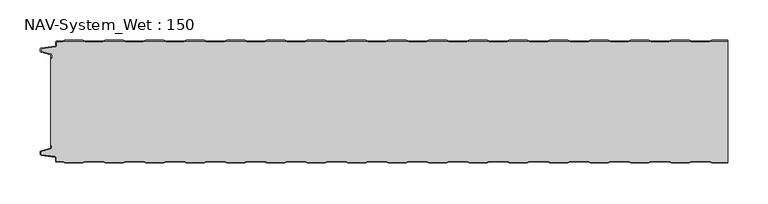
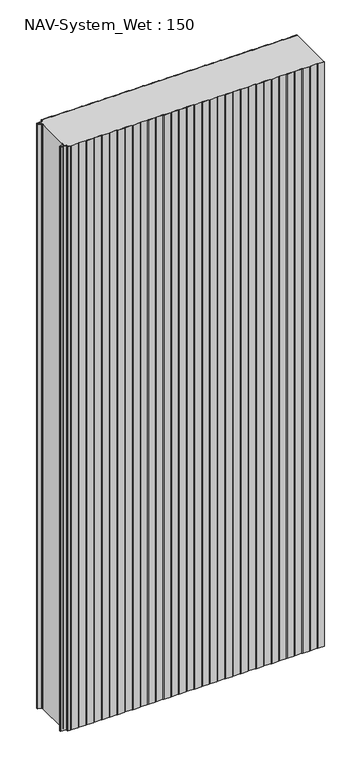
"""IFC4 building model written with IfcOpenShell, lengths in millimetres: plate geometry, NAV-System_Wet : 150."""

from ifc_helpers import new_model, si_unit, point, frame_2d, origin, origin_with_axes, place, context, project, spatial, polyline, circle_curve, trimmed, segment, composite_curve, outline, extrude, source, transform, mapped, element, save


def nav_system_wet_150_986e8c7c(model_context):
    return source(origin(), model_context, "Body", "SweptSolid", [
        extrude(outline(composite_curve([segment(polyline([(405.3684327, 0.2), (402.3684327, -0.8), (380.3684327, -0.8), (377.3684327, 0.2), (355.3684327, 0.2), (352.3684327, -0.8), (330.3684327, -0.8), (327.3684327, 0.2), (305.3684327, 0.2), (302.3684327, -0.8), (280.3684327, -0.8), (277.3684327, 0.2), (255.3684327, 0.2), (252.3684327, -0.8), (230.3684327, -0.8), (227.3684327, 0.2), (205.3684327, 0.2), (202.3684327, -0.8), (180.3684327, -0.8), (177.3684327, 0.2), (155.3684327, 0.2), (152.3684327, -0.8), (130.3684327, -0.8), (127.3684327, 0.2), (105.3684327, 0.2), (102.3684327, -0.8), (80.3684327, -0.8), (77.3684327, 0.2), (55.3684327, 0.2), (52.3684327, -0.8), (30.3684327, -0.8), (27.3684327, 0.2), (5.3684327, 0.2), (2.3684327, -0.8), (-19.6315673, -0.8), (-22.6315673, 0.2), (-44.6315673, 0.2), (-47.6315673, -0.8), (-69.6315673, -0.8), (-72.6315673, 0.2), (-94.6315673, 0.2), (-97.6315673, -0.8), (-119.6315673, -0.8), (-122.6315673, 0.2), (-144.6315673, 0.2), (-147.6315673, -0.8), (-169.6315673, -0.8), (-172.6315673, 0.2), (-194.6315673, 0.2), (-197.6315673, -0.8), (-219.6315673, -0.8), (-222.6315673, 0.2), (-244.6315673, 0.2), (-247.6315673, -0.8), (-269.6315673, -0.8), (-272.6315673, 0.2), (-294.6315673, 0.2), (-297.6315673, -0.8), (-319.6315673, -0.8), (-322.6315673, 0.2), (-344.6315673, 0.2), (-347.6315673, -0.8), (-369.6315673, -0.8), (-372.6315673, 0.2), (-394.6315673, 0.2), (-397.6315673, -0.8), (-404.7, -0.8)]), True, "CONTINUOUS"), segment(trimmed(circle_curve(frame_2d((-404.7, -1.3)), 0.5), [point((-404.7, -0.8))], [point((-405.2, -1.3))], True, "CARTESIAN"), True, "CONTINUOUS"), segment(polyline([(-405.2, -1.3), (-405.2, -5.3964683)]), True, "CONTINUOUS"), segment(trimmed(circle_curve(frame_2d((-406.7, -5.3964683)), 1.5), [point((-405.2, -5.3964683))], [point((-406.4911207, -6.8818536))], False, "CARTESIAN"), True, "CONTINUOUS"), segment(polyline([(-406.4911207, -6.8818536), (-423.4352183, -9.2645825)]), True, "CONTINUOUS"), segment(trimmed(circle_curve(frame_2d((-423.3114909, -10.1444347)), 0.8885091), [point((-423.4352183, -9.2645825))], [point((-424.2, -10.1444347))], True, "CARTESIAN"), True, "CONTINUOUS"), segment(polyline([(-424.2, -10.1444347), (-424.2, -12.46995)]), True, "CONTINUOUS"), segment(trimmed(circle_curve(frame_2d((-423.6, -12.46995)), 0.6), [point((-424.2, -12.46995))], [point((-423.7552914, -13.0495055))], True, "CARTESIAN"), True, "CONTINUOUS"), segment(polyline([(-423.7552914, -13.0495055), (-412.3785632, -16.0978907)]), True, "CONTINUOUS"), segment(trimmed(circle_curve(frame_2d((-412.7667917, -17.5467794)), 1.5), [point((-412.3785632, -16.0978907))], [point((-411.2667917, -17.5467794))], False, "CARTESIAN"), True, "CONTINUOUS"), segment(polyline([(-411.2667917, -17.5467794), (-411.2667917, -21.0096505), (-412.0667917, -21.0096505), (-412.0667917, -17.5467794)]), True, "CONTINUOUS"), segment(trimmed(circle_curve(frame_2d((-412.7667917, -17.5467794)), 0.7), [point((-412.0667917, -17.5467794))], [point((-412.5856184, -16.8706313))], True, "CARTESIAN"), True, "CONTINUOUS"), segment(polyline([(-412.5856184, -16.8706313), (-424.0364648, -13.8023863)]), True, "CONTINUOUS"), segment(trimmed(circle_curve(frame_2d((-423.7, -12.5466827)), 1.3), [point((-424.0364648, -13.8023863))], [point((-425.0, -12.5466827))], False, "CARTESIAN"), True, "CONTINUOUS"), segment(polyline([(-425.0, -12.5466827), (-425.0, -9.8067363)]), True, "CONTINUOUS"), segment(trimmed(circle_curve(frame_2d((-423.7, -9.8067363)), 1.3), [point((-425.0, -9.8067363))], [point((-423.8810287, -8.5194024))], False, "CARTESIAN"), True, "CONTINUOUS"), segment(polyline([(-423.8810287, -8.5194024), (-406.602523, -6.0896481)]), True, "CONTINUOUS"), segment(trimmed(circle_curve(frame_2d((-406.7, -5.3964683)), 0.7), [point((-406.602523, -6.0896481))], [point((-406.0, -5.3964683))], True, "CARTESIAN"), True, "CONTINUOUS"), segment(polyline([(-406.0, -5.3964683), (-406.0, -1.3)]), True, "CONTINUOUS"), segment(trimmed(circle_curve(frame_2d((-404.7, -1.3)), 1.3), [point((-406.0, -1.3))], [point((-404.7, 0.0))], False, "CARTESIAN"), True, "CONTINUOUS"), segment(polyline([(-404.7, 0.0), (-397.7613895, 0.0), (-394.7613895, 1.0), (-372.5017452, 1.0), (-369.5017452, 0.0), (-347.7613895, 0.0), (-344.7613895, 1.0), (-322.5017452, 1.0), (-319.5017452, 0.0), (-297.7613895, 0.0), (-294.7613895, 1.0), (-272.5017452, 1.0), (-269.5017452, 0.0), (-247.7613895, 0.0), (-244.7613895, 1.0), (-222.5017452, 1.0), (-219.5017452, 0.0), (-197.7613895, 0.0), (-194.7613895, 1.0), (-172.5017452, 1.0), (-169.5017452, 0.0), (-147.7613895, 0.0), (-144.7613895, 1.0), (-122.5017452, 1.0), (-119.5017452, 0.0), (-97.7613895, 0.0), (-94.7613895, 1.0), (-72.5017452, 1.0), (-69.5017452, 0.0), (-47.7613895, 0.0), (-44.7613895, 1.0), (-22.5017452, 1.0), (-19.5017452, 0.0), (2.2386105, 0.0), (5.2386105, 1.0), (27.4982548, 1.0), (30.4982548, 0.0), (52.2386105, 0.0), (55.2386105, 1.0), (77.4982548, 1.0), (80.4982548, 0.0), (102.2386105, 0.0), (105.2386105, 1.0), (127.4982548, 1.0), (130.4982548, 0.0), (152.2386105, 0.0), (155.2386105, 1.0), (177.4982548, 1.0), (180.4982548, 0.0), (202.2386105, 0.0), (205.2386105, 1.0), (227.4982548, 1.0), (230.4982548, 0.0), (252.2386105, 0.0), (255.2386105, 1.0), (277.4982548, 1.0), (280.4982548, 0.0), (302.2386105, 0.0), (305.2386105, 1.0), (327.4982548, 1.0), (330.4982548, 0.0), (352.2386105, 0.0), (355.2386105, 1.0), (377.4982548, 1.0), (380.4982548, 0.0), (402.2386105, 0.0), (405.2386105, 1.0), (425.0, 1.0), (425.0, 0.2), (405.3684327, 0.2)]), True, "CONTINUOUS")], self_intersect=False)), origin_with_axes(), (0.0, 0.0, 1.0), 2000.0),
        extrude(outline(composite_curve([segment(polyline([(405.3684327, -150.2), (402.3684327, -149.2), (380.3684327, -149.2), (377.3684327, -150.2), (355.3684327, -150.2), (352.3684327, -149.2), (330.3684327, -149.2), (327.3684327, -150.2), (305.3684327, -150.2), (302.3684327, -149.2), (280.3684327, -149.2), (277.3684327, -150.2), (255.3684327, -150.2), (252.3684327, -149.2), (230.3684327, -149.2), (227.3684327, -150.2), (205.3684327, -150.2), (202.3684327, -149.2), (180.3684327, -149.2), (177.3684327, -150.2), (155.3684327, -150.2), (152.3684327, -149.2), (130.3684327, -149.2), (127.3684327, -150.2), (105.3684327, -150.2), (102.3684327, -149.2), (80.3684327, -149.2), (77.3684327, -150.2), (55.3684327, -150.2), (52.3684327, -149.2), (30.3684327, -149.2), (27.3684327, -150.2), (5.3684327, -150.2), (2.3684327, -149.2), (-19.6315673, -149.2), (-22.6315673, -150.2), (-44.6315673, -150.2), (-47.6315673, -149.2), (-69.6315673, -149.2), (-72.6315673, -150.2), (-94.6315673, -150.2), (-97.6315673, -149.2), (-119.6315673, -149.2), (-122.6315673, -150.2), (-144.6315673, -150.2), (-147.6315673, -149.2), (-169.6315673, -149.2), (-172.6315673, -150.2), (-194.6315673, -150.2), (-197.6315673, -149.2), (-219.6315673, -149.2), (-222.6315673, -150.2), (-244.6315673, -150.2), (-247.6315673, -149.2), (-269.6315673, -149.2), (-272.6315673, -150.2), (-294.6315673, -150.2), (-297.6315673, -149.2), (-319.6315673, -149.2), (-322.6315673, -150.2), (-344.6315673, -150.2), (-347.6315673, -149.2), (-369.6315673, -149.2), (-372.6315673, -150.2), (-394.6315673, -150.2), (-397.6315673, -149.2), (-404.7, -149.2)]), True, "CONTINUOUS"), segment(trimmed(circle_curve(frame_2d((-404.7, -148.7)), 0.5), [point((-404.7, -149.2))], [point((-405.2, -148.7))], False, "CARTESIAN"), True, "CONTINUOUS"), segment(polyline([(-405.2, -148.7), (-405.2, -144.6035317)]), True, "CONTINUOUS"), segment(trimmed(circle_curve(frame_2d((-406.7, -144.6035317)), 1.5), [point((-405.2, -144.6035317))], [point((-406.4911207, -143.1181464))], True, "CARTESIAN"), True, "CONTINUOUS"), segment(polyline([(-406.4911207, -143.1181464), (-423.4352183, -140.7354175)]), True, "CONTINUOUS"), segment(trimmed(circle_curve(frame_2d((-423.3114909, -139.8555653)), 0.8885091), [point((-423.4352183, -140.7354175))], [point((-424.2, -139.8555653))], False, "CARTESIAN"), True, "CONTINUOUS"), segment(polyline([(-424.2, -139.8555653), (-424.2, -137.53005)]), True, "CONTINUOUS"), segment(trimmed(circle_curve(frame_2d((-423.6, -137.53005)), 0.6), [point((-424.2, -137.53005))], [point((-423.7552914, -136.9504945))], False, "CARTESIAN"), True, "CONTINUOUS"), segment(polyline([(-423.7552914, -136.9504945), (-412.3785632, -133.9021093)]), True, "CONTINUOUS"), segment(trimmed(circle_curve(frame_2d((-412.7667917, -132.4532206)), 1.5), [point((-412.3785632, -133.9021093))], [point((-411.2667917, -132.4532206))], True, "CARTESIAN"), True, "CONTINUOUS"), segment(polyline([(-411.2667917, -132.4532206), (-411.2667917, -128.9903495), (-412.0667917, -128.9903495), (-412.0667917, -21.0096505), (-411.2667917, -21.0096505), (-411.2667917, -17.5467794)]), True, "CONTINUOUS"), segment(trimmed(circle_curve(frame_2d((-412.7667917, -17.5467794)), 1.5), [point((-411.2667917, -17.5467794))], [point((-412.3785632, -16.0978907))], True, "CARTESIAN"), True, "CONTINUOUS"), segment(polyline([(-412.3785632, -16.0978907), (-423.7552914, -13.0495055)]), True, "CONTINUOUS"), segment(trimmed(circle_curve(frame_2d((-423.6, -12.46995)), 0.6), [point((-423.7552914, -13.0495055))], [point((-424.2, -12.46995))], False, "CARTESIAN"), True, "CONTINUOUS"), segment(polyline([(-424.2, -12.46995), (-424.2, -10.1444347)]), True, "CONTINUOUS"), segment(trimmed(circle_curve(frame_2d((-423.3114909, -10.1444347)), 0.8885091), [point((-424.2, -10.1444347))], [point((-423.4352183, -9.2645825))], False, "CARTESIAN"), True, "CONTINUOUS"), segment(polyline([(-423.4352183, -9.2645825), (-406.4911207, -6.8818536)]), True, "CONTINUOUS"), segment(trimmed(circle_curve(frame_2d((-406.7, -5.3964683)), 1.5), [point((-406.4911207, -6.8818536))], [point((-405.2, -5.3964683))], True, "CARTESIAN"), True, "CONTINUOUS"), segment(polyline([(-405.2, -5.3964683), (-405.2, -1.3)]), True, "CONTINUOUS"), segment(trimmed(circle_curve(frame_2d((-404.7, -1.3)), 0.5), [point((-405.2, -1.3))], [point((-404.7, -0.8))], False, "CARTESIAN"), True, "CONTINUOUS"), segment(polyline([(-404.7, -0.8), (-397.6315673, -0.8), (-394.6315673, 0.2), (-372.6315673, 0.2), (-369.6315673, -0.8), (-347.6315673, -0.8), (-344.6315673, 0.2), (-322.6315673, 0.2), (-319.6315673, -0.8), (-297.6315673, -0.8), (-294.6315673, 0.2), (-272.6315673, 0.2), (-269.6315673, -0.8), (-247.6315673, -0.8), (-244.6315673, 0.2), (-222.6315673, 0.2), (-219.6315673, -0.8), (-197.6315673, -0.8), (-194.6315673, 0.2), (-172.6315673, 0.2), (-169.6315673, -0.8), (-147.6315673, -0.8), (-144.6315673, 0.2), (-122.6315673, 0.2), (-119.6315673, -0.8), (-97.6315673, -0.8), (-94.6315673, 0.2), (-72.6315673, 0.2), (-69.6315673, -0.8), (-47.6315673, -0.8), (-44.6315673, 0.2), (-22.6315673, 0.2), (-19.6315673, -0.8), (2.3684327, -0.8), (5.3684327, 0.2), (27.3684327, 0.2), (30.3684327, -0.8), (52.3684327, -0.8), (55.3684327, 0.2), (77.3684327, 0.2), (80.3684327, -0.8), (102.3684327, -0.8), (105.3684327, 0.2), (127.3684327, 0.2), (130.3684327, -0.8), (152.3684327, -0.8), (155.3684327, 0.2), (177.3684327, 0.2), (180.3684327, -0.8), (202.3684327, -0.8), (205.3684327, 0.2), (227.3684327, 0.2), (230.3684327, -0.8), (252.3684327, -0.8), (255.3684327, 0.2), (277.3684327, 0.2), (280.3684327, -0.8), (302.3684327, -0.8), (305.3684327, 0.2), (327.3684327, 0.2), (330.3684327, -0.8), (352.3684327, -0.8), (355.3684327, 0.2), (377.3684327, 0.2), (380.3684327, -0.8), (402.3684327, -0.8), (405.3684327, 0.2), (425.0, 0.2), (425.0, -150.2), (405.3684327, -150.2)]), True, "CONTINUOUS")], self_intersect=False)), origin_with_axes(), (0.0, 0.0, 1.0), 2000.0),
        extrude(outline(composite_curve([segment(polyline([(405.2386105, -151.0), (402.2386105, -150.0), (380.4982548, -150.0), (377.4982548, -151.0), (355.2386105, -151.0), (352.2386105, -150.0), (330.4982548, -150.0), (327.4982548, -151.0), (305.2386105, -151.0), (302.2386105, -150.0), (280.4982548, -150.0), (277.4982548, -151.0), (255.2386105, -151.0), (252.2386105, -150.0), (230.4982548, -150.0), (227.4982548, -151.0), (205.2386105, -151.0), (202.2386105, -150.0), (180.4982548, -150.0), (177.4982548, -151.0), (155.2386105, -151.0), (152.2386105, -150.0), (130.4982548, -150.0), (127.4982548, -151.0), (105.2386105, -151.0), (102.2386105, -150.0), (80.4982548, -150.0), (77.4982548, -151.0), (55.2386105, -151.0), (52.2386105, -150.0), (30.4982548, -150.0), (27.4982548, -151.0), (5.2386105, -151.0), (2.2386105, -150.0), (-19.5017452, -150.0), (-22.5017452, -151.0), (-44.7613895, -151.0), (-47.7613895, -150.0), (-69.5017452, -150.0), (-72.5017452, -151.0), (-94.7613895, -151.0), (-97.7613895, -150.0), (-119.5017452, -150.0), (-122.5017452, -151.0), (-144.7613895, -151.0), (-147.7613895, -150.0), (-169.5017452, -150.0), (-172.5017452, -151.0), (-194.7613895, -151.0), (-197.7613895, -150.0), (-219.5017452, -150.0), (-222.5017452, -151.0), (-244.7613895, -151.0), (-247.7613895, -150.0), (-269.5017452, -150.0), (-272.5017452, -151.0), (-294.7613895, -151.0), (-297.7613895, -150.0), (-319.5017452, -150.0), (-322.5017452, -151.0), (-344.7613895, -151.0), (-347.7613895, -150.0), (-369.5017452, -150.0), (-372.5017452, -151.0), (-394.7613895, -151.0), (-397.7613895, -150.0), (-404.7, -150.0)]), True, "CONTINUOUS"), segment(trimmed(circle_curve(frame_2d((-404.7, -148.7)), 1.3), [point((-404.7, -150.0))], [point((-406.0, -148.7))], False, "CARTESIAN"), True, "CONTINUOUS"), segment(polyline([(-406.0, -148.7), (-406.0, -144.6035317)]), True, "CONTINUOUS"), segment(trimmed(circle_curve(frame_2d((-406.7, -144.6035317)), 0.7), [point((-406.0, -144.6035317))], [point((-406.602523, -143.9103519))], True, "CARTESIAN"), True, "CONTINUOUS"), segment(polyline([(-406.602523, -143.9103519), (-423.8810287, -141.4805976)]), True, "CONTINUOUS"), segment(trimmed(circle_curve(frame_2d((-423.7, -140.1932637)), 1.3), [point((-423.8810287, -141.4805976))], [point((-425.0, -140.1932637))], False, "CARTESIAN"), True, "CONTINUOUS"), segment(polyline([(-425.0, -140.1932637), (-425.0, -137.4533173)]), True, "CONTINUOUS"), segment(trimmed(circle_curve(frame_2d((-423.7, -137.4533173)), 1.3), [point((-425.0, -137.4533173))], [point((-424.0364648, -136.1976137))], False, "CARTESIAN"), True, "CONTINUOUS"), segment(polyline([(-424.0364648, -136.1976137), (-412.5856184, -133.1293687)]), True, "CONTINUOUS"), segment(trimmed(circle_curve(frame_2d((-412.7667917, -132.4532206)), 0.7), [point((-412.5856184, -133.1293687))], [point((-412.0667917, -132.4532206))], True, "CARTESIAN"), True, "CONTINUOUS"), segment(polyline([(-412.0667917, -132.4532206), (-412.0667917, -128.9903495), (-411.2667917, -128.9903495), (-411.2667917, -132.4532206)]), True, "CONTINUOUS"), segment(trimmed(circle_curve(frame_2d((-412.7667917, -132.4532206)), 1.5), [point((-411.2667917, -132.4532206))], [point((-412.3785632, -133.9021093))], False, "CARTESIAN"), True, "CONTINUOUS"), segment(polyline([(-412.3785632, -133.9021093), (-423.7552914, -136.9504945)]), True, "CONTINUOUS"), segment(trimmed(circle_curve(frame_2d((-423.6, -137.53005)), 0.6), [point((-423.7552914, -136.9504945))], [point((-424.2, -137.53005))], True, "CARTESIAN"), True, "CONTINUOUS"), segment(polyline([(-424.2, -137.53005), (-424.2, -139.8555653)]), True, "CONTINUOUS"), segment(trimmed(circle_curve(frame_2d((-423.3114909, -139.8555653)), 0.8885091), [point((-424.2, -139.8555653))], [point((-423.4352183, -140.7354175))], True, "CARTESIAN"), True, "CONTINUOUS"), segment(polyline([(-423.4352183, -140.7354175), (-406.4911207, -143.1181464)]), True, "CONTINUOUS"), segment(trimmed(circle_curve(frame_2d((-406.7, -144.6035317)), 1.5), [point((-406.4911207, -143.1181464))], [point((-405.2, -144.6035317))], False, "CARTESIAN"), True, "CONTINUOUS"), segment(polyline([(-405.2, -144.6035317), (-405.2, -148.7)]), True, "CONTINUOUS"), segment(trimmed(circle_curve(frame_2d((-404.7, -148.7)), 0.5), [point((-405.2, -148.7))], [point((-404.7, -149.2))], True, "CARTESIAN"), True, "CONTINUOUS"), segment(polyline([(-404.7, -149.2), (-397.6315673, -149.2), (-394.6315673, -150.2), (-372.6315673, -150.2), (-369.6315673, -149.2), (-347.6315673, -149.2), (-344.6315673, -150.2), (-322.6315673, -150.2), (-319.6315673, -149.2), (-297.6315673, -149.2), (-294.6315673, -150.2), (-272.6315673, -150.2), (-269.6315673, -149.2), (-247.6315673, -149.2), (-244.6315673, -150.2), (-222.6315673, -150.2), (-219.6315673, -149.2), (-197.6315673, -149.2), (-194.6315673, -150.2), (-172.6315673, -150.2), (-169.6315673, -149.2), (-147.6315673, -149.2), (-144.6315673, -150.2), (-122.6315673, -150.2), (-119.6315673, -149.2), (-97.6315673, -149.2), (-94.6315673, -150.2), (-72.6315673, -150.2), (-69.6315673, -149.2), (-47.6315673, -149.2), (-44.6315673, -150.2), (-22.6315673, -150.2), (-19.6315673, -149.2), (2.3684327, -149.2), (5.3684327, -150.2), (27.3684327, -150.2), (30.3684327, -149.2), (52.3684327, -149.2), (55.3684327, -150.2), (77.3684327, -150.2), (80.3684327, -149.2), (102.3684327, -149.2), (105.3684327, -150.2), (127.3684327, -150.2), (130.3684327, -149.2), (152.3684327, -149.2), (155.3684327, -150.2), (177.3684327, -150.2), (180.3684327, -149.2), (202.3684327, -149.2), (205.3684327, -150.2), (227.3684327, -150.2), (230.3684327, -149.2), (252.3684327, -149.2), (255.3684327, -150.2), (277.3684327, -150.2), (280.3684327, -149.2), (302.3684327, -149.2), (305.3684327, -150.2), (327.3684327, -150.2), (330.3684327, -149.2), (352.3684327, -149.2), (355.3684327, -150.2), (377.3684327, -150.2), (380.3684327, -149.2), (402.3684327, -149.2), (405.3684327, -150.2), (425.0, -150.2), (425.0, -151.0), (405.2386105, -151.0)]), True, "CONTINUOUS")], self_intersect=False)), origin_with_axes(), (0.0, 0.0, 1.0), 2000.0),
    ])


if __name__ == "__main__":
    model = new_model("IFC4")
    model_context = context("Model", 3, world=origin())
    ifc_project = project(units=[si_unit("LENGTHUNIT", "METRE", prefix="MILLI")], contexts=[model_context])
    site = spatial("IfcSite", under=ifc_project)
    building = spatial("IfcBuilding", under=site)
    placement = place(None, origin())
    nav_system_wet_150_shape = nav_system_wet_150_986e8c7c(model_context)
    element("IfcPlate", 1, ObjectType="NAV-System_Wet : 150", at=placement, inside=building, context=model_context, shape_type="MappedRepresentation", body=[
        mapped(nav_system_wet_150_shape, transform((0.0, 0.0, 0.0), x_axis=(1.0, 0.0, 0.0), y_axis=(0.0, 1.0, 0.0), z_axis=(0.0, 0.0, 1.0))),
    ])
    save(model, "model.ifc")
